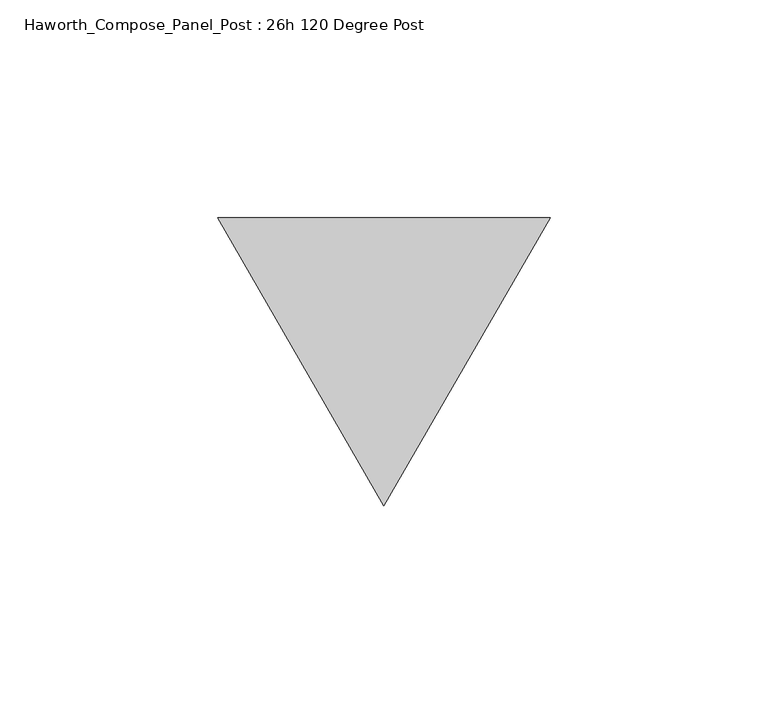
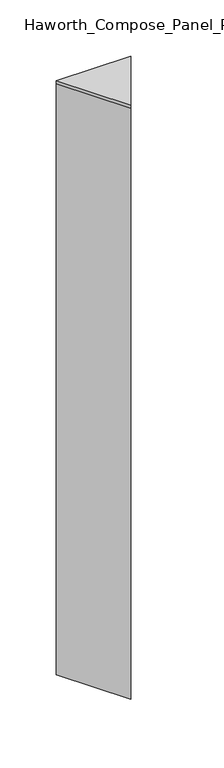
"""IFC4 building model written with IfcOpenShell, lengths in millimetres: furniture geometry, Haworth_Compose_Panel_Post : 26h 120 Degree Post."""

from ifc_helpers import new_model, si_unit, frame, origin, place, context, project, spatial, polyline, outline, extrude, source, transform, mapped, element, save


def haworth_compose_panel_post_26h_120_degree_post_8161002c(model_context):
    return source(origin(), model_context, "Body", "SweptSolid", [
        extrude(outline(polyline([(76.2, 32.9955679), (38.1, -32.9955679), (0.0, 32.9955679), (76.2, 32.9955679)])), frame((0.0, 0.0, 654.05), z_axis=(0.0, 0.0, 1.0), x_axis=(1.0, 0.0, 0.0)), (0.0, 0.0, 1.0), 3.175),
        extrude(outline(polyline([(76.2, 32.9955679), (38.1, -32.9955679), (0.0, 32.9955679), (76.2, 32.9955679)])), frame((0.0, 0.0, 12.7), z_axis=(0.0, 0.0, 1.0), x_axis=(1.0, 0.0, 0.0)), (0.0, 0.0, 1.0), 641.35),
    ])


if __name__ == "__main__":
    model = new_model("IFC4")
    model_context = context("Model", 3, world=origin())
    ifc_project = project(units=[si_unit("LENGTHUNIT", "METRE", prefix="MILLI")], contexts=[model_context])
    site = spatial("IfcSite", under=ifc_project)
    building = spatial("IfcBuilding", under=site)
    placement = place(None, origin())
    haworth_compose_panel_post_26h_120_degree_post_shape = haworth_compose_panel_post_26h_120_degree_post_8161002c(model_context)
    element("IfcFurniture", 1, ObjectType="Haworth_Compose_Panel_Post : 26h 120 Degree Post", at=placement, inside=building, context=model_context, shape_type="MappedRepresentation", body=[
        mapped(haworth_compose_panel_post_26h_120_degree_post_shape, transform((0.0, 0.0, 0.0), x_axis=(1.0, 0.0, 0.0), y_axis=(0.0, 1.0, 0.0), z_axis=(0.0, 0.0, 1.0))),
    ])
    save(model, "model.ifc")
